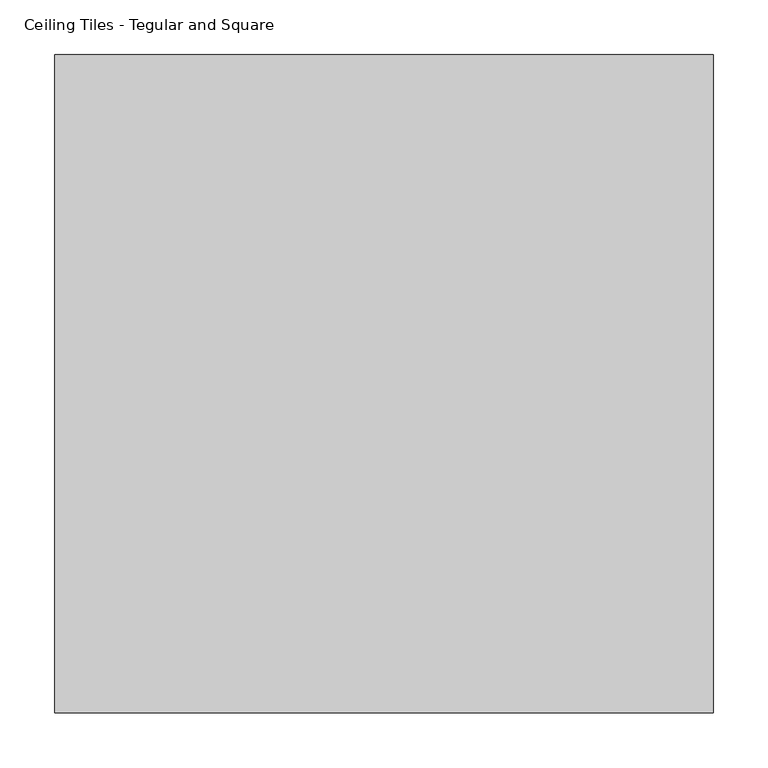
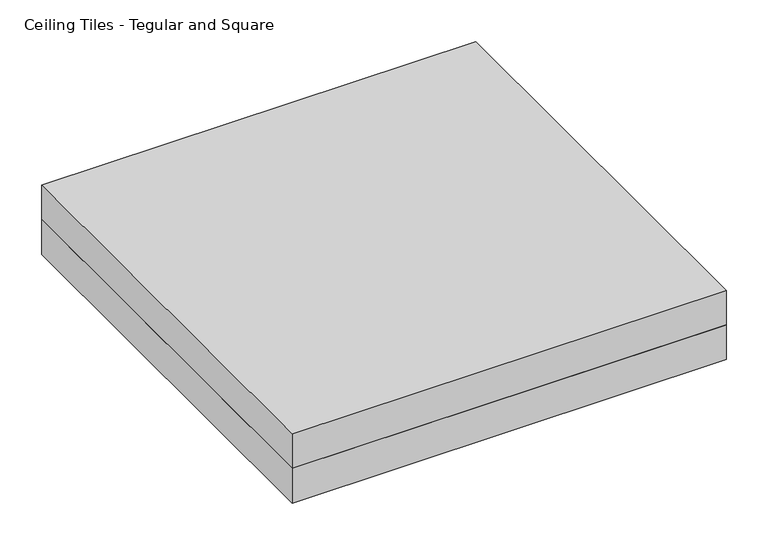
"""IFC4 building model written with IfcOpenShell, lengths in millimetres: proxy geometry, Ceiling Tiles - Tegular and Square."""

from ifc_helpers import new_model, si_unit, frame, origin, origin_with_axes, place, context, project, spatial, polyline, outline, extrude, source, transform, mapped, element, save


def ceiling_tiles_tegular_and_square_a092d5b8(model_context):
    return source(origin(), model_context, "Body", "SweptSolid", [
        extrude(outline(polyline([(301.625, 301.625), (301.625, -301.625), (-301.625, -301.625), (-301.625, 301.625), (301.625, 301.625)])), origin_with_axes(), (0.0, 0.0, 1.0), 50.8),
        extrude(outline(polyline([(-301.625, 301.625), (301.625, 301.625), (301.625, -301.625), (-301.625, -301.625), (-301.625, 301.625)])), frame((0.0, 0.0, 50.8), z_axis=(0.0, 0.0, 1.0), x_axis=(1.0, 0.0, 0.0)), (0.0, 0.0, 1.0), 50.8),
    ])


if __name__ == "__main__":
    model = new_model("IFC4")
    model_context = context("Model", 3, world=origin())
    ifc_project = project(units=[si_unit("LENGTHUNIT", "METRE", prefix="MILLI")], contexts=[model_context])
    site = spatial("IfcSite", under=ifc_project)
    building = spatial("IfcBuilding", under=site)
    placement = place(None, origin())
    ceiling_tiles_tegular_and_square_shape = ceiling_tiles_tegular_and_square_a092d5b8(model_context)
    element("IfcBuildingElementProxy", 1, Name="Ceiling Tiles - Tegular and Square", ObjectType="Ceiling Tiles - Tegular and Square", at=placement, inside=building, context=model_context, shape_type="MappedRepresentation", body=[
        mapped(ceiling_tiles_tegular_and_square_shape, transform((0.0, 0.0, 0.0), x_axis=(1.0, 0.0, 0.0), y_axis=(0.0, 1.0, 0.0), z_axis=(0.0, 0.0, 1.0))),
    ])
    save(model, "model.ifc")
